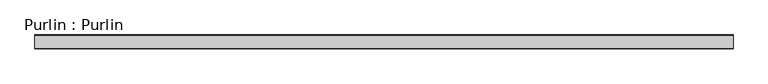
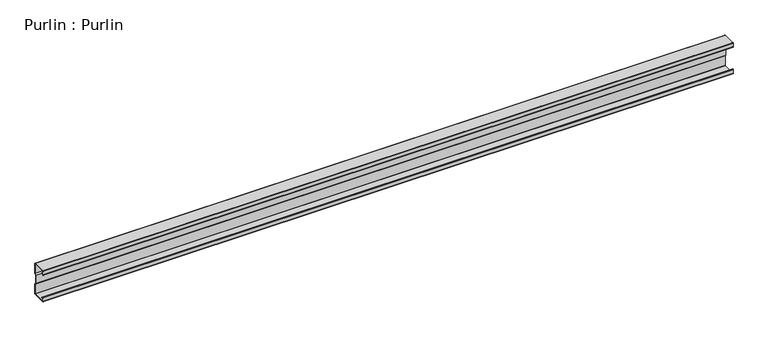
"""IFC4 building model written with IfcOpenShell, lengths in millimetres: beam geometry, Purlin : Purlin."""

from ifc_helpers import new_model, si_unit, point, frame, frame_2d, origin, place, context, project, spatial, polyline, circle_curve, trimmed, segment, composite_curve, outline, extrude, source, transform, mapped, element, save


def purlin_purlin_01fb94b4(model_context):
    return source(origin(), model_context, "Body", "SweptSolid", [
        extrude(outline(composite_curve([segment(polyline([(30.5, -75.0), (-30.5, -75.0)]), True, "CONTINUOUS"), segment(trimmed(circle_curve(frame_2d((-30.5, -73.5)), 1.5), [point((-30.5, -75.0))], [point((-32.0, -73.5))], False, "CARTESIAN"), True, "CONTINUOUS"), segment(polyline([(-32.0, -73.5), (-32.0, -55.5689158)]), True, "CONTINUOUS"), segment(trimmed(circle_curve(frame_2d((-30.5, -55.5689158)), 1.5), [point((-32.0, -55.5689158))], [point((-29.6183221, -54.3553903))], False, "CARTESIAN"), True, "CONTINUOUS"), segment(polyline([(-29.6183221, -54.3553903), (-22.7008639, -59.3812179), (-23.2886491, -60.1902349), (-30.2061074, -55.1644073)]), True, "CONTINUOUS"), segment(trimmed(circle_curve(frame_2d((-30.5, -55.5689158)), 0.5), [point((-30.2061074, -55.1644073))], [point((-31.0, -55.5689158))], True, "CARTESIAN"), True, "CONTINUOUS"), segment(polyline([(-31.0, -55.5689158), (-31.0, -73.0)]), True, "CONTINUOUS"), segment(trimmed(circle_curve(frame_2d((-30.0, -73.0)), 1.0), [point((-31.0, -73.0))], [point((-30.0, -74.0))], True, "CARTESIAN"), True, "CONTINUOUS"), segment(polyline([(-30.0, -74.0), (30.0, -74.0)]), True, "CONTINUOUS"), segment(trimmed(circle_curve(frame_2d((30.0, -73.0)), 1.0), [point((30.0, -74.0))], [point((31.0, -73.0))], True, "CARTESIAN"), True, "CONTINUOUS"), segment(polyline([(31.0, -73.0), (31.0, -26.8252474), (25.375, -18.9502474), (25.375, 18.7314974), (31.0, 26.3252474), (31.0, 73.0)]), True, "CONTINUOUS"), segment(trimmed(circle_curve(frame_2d((30.0, 73.0)), 1.0), [point((31.0, 73.0))], [point((30.0, 74.0))], True, "CARTESIAN"), True, "CONTINUOUS"), segment(polyline([(30.0, 74.0), (-30.0, 74.0)]), True, "CONTINUOUS"), segment(trimmed(circle_curve(frame_2d((-30.0, 73.0)), 1.0), [point((-30.0, 74.0))], [point((-31.0, 73.0))], True, "CARTESIAN"), True, "CONTINUOUS"), segment(polyline([(-31.0, 73.0), (-31.0, 55.5689158)]), True, "CONTINUOUS"), segment(trimmed(circle_curve(frame_2d((-30.5, 55.5689158)), 0.5), [point((-31.0, 55.5689158))], [point((-30.2061074, 55.1644073))], True, "CARTESIAN"), True, "CONTINUOUS"), segment(polyline([(-30.2061074, 55.1644073), (-23.2886491, 60.1902349), (-22.7008639, 59.3812179), (-29.6183221, 54.3553903)]), True, "CONTINUOUS"), segment(trimmed(circle_curve(frame_2d((-30.5, 55.5689158)), 1.5), [point((-29.6183221, 54.3553903))], [point((-32.0, 55.5689158))], False, "CARTESIAN"), True, "CONTINUOUS"), segment(polyline([(-32.0, 55.5689158), (-32.0, 73.5)]), True, "CONTINUOUS"), segment(trimmed(circle_curve(frame_2d((-30.5, 73.5)), 1.5), [point((-32.0, 73.5))], [point((-30.5, 75.0))], False, "CARTESIAN"), True, "CONTINUOUS"), segment(polyline([(-30.5, 75.0), (30.5, 75.0)]), True, "CONTINUOUS"), segment(trimmed(circle_curve(frame_2d((30.5, 73.5)), 1.5), [point((30.5, 75.0))], [point((32.0, 73.5))], False, "CARTESIAN"), True, "CONTINUOUS"), segment(polyline([(32.0, 73.5), (32.0, 25.9952176), (26.375, 18.4014676), (26.375, -18.6297824), (32.0, -26.5047824), (32.0, -73.5)]), True, "CONTINUOUS"), segment(trimmed(circle_curve(frame_2d((30.5, -73.5)), 1.5), [point((32.0, -73.5))], [point((30.5, -75.0))], False, "CARTESIAN"), True, "CONTINUOUS")], self_intersect=False)), frame((-1586.1531097, 0.0, 0.0), z_axis=(1.0, 0.0, 0.0), x_axis=(0.0, 1.0, 0.0)), (0.0, 0.0, 1.0), 3172.3062195),
    ])


if __name__ == "__main__":
    model = new_model("IFC4")
    model_context = context("Model", 3, world=origin())
    ifc_project = project(units=[si_unit("LENGTHUNIT", "METRE", prefix="MILLI")], contexts=[model_context])
    site = spatial("IfcSite", under=ifc_project)
    building = spatial("IfcBuilding", under=site)
    placement = place(None, origin())
    purlin_purlin_shape = purlin_purlin_01fb94b4(model_context)
    element("IfcBeam", 1, ObjectType="Purlin : Purlin", at=placement, inside=building, context=model_context, shape_type="MappedRepresentation", body=[
        mapped(purlin_purlin_shape, transform((0.0, 0.0, 0.0), x_axis=(1.0, 0.0, 0.0), y_axis=(0.0, 1.0, 0.0), z_axis=(0.0, 0.0, 1.0))),
    ])
    save(model, "model.ifc")
